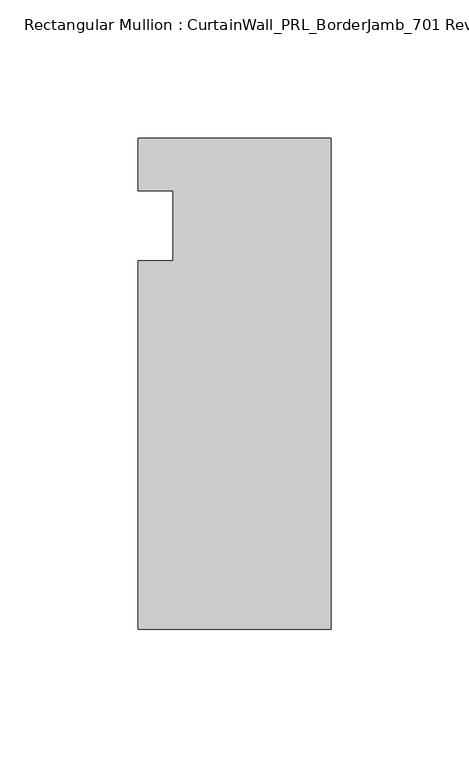
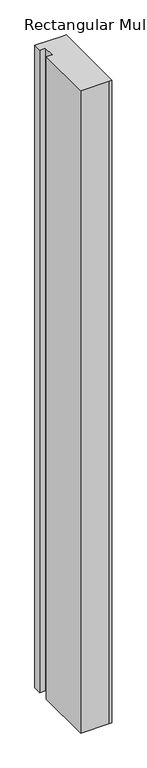
"""IFC4 building model written with IfcOpenShell, lengths in millimetres: member geometry, Rectangular Mullion : CurtainWall_PRL_BorderJamb_701 Reverse."""

from ifc_helpers import new_model, si_unit, frame, origin, place, context, project, spatial, polyline, outline, extrude, source, transform, mapped, element, save


def rectangular_mullion_curtainwall_prl_borderjamb_701_reverse_d0bf21f7(model_context):
    return source(origin(), model_context, "Body", "SweptSolid", [
        extrude(outline(polyline([(-57.15, -12.7), (-57.15, 12.7), (-69.85, 12.7), (-69.85, 31.75), (-7.3958824, 31.75), (0.0, 31.75), (0.0, -146.05), (-6.35, -146.05), (-69.85, -146.05), (-69.85, -12.7), (-57.15, -12.7)])), frame((0.0, 0.0, -1524.0), z_axis=(0.0, 0.0, 1.0), x_axis=(1.0, 0.0, 0.0)), (0.0, 0.0, 1.0), 1524.0),
    ])


if __name__ == "__main__":
    model = new_model("IFC4")
    model_context = context("Model", 3, world=origin())
    ifc_project = project(units=[si_unit("LENGTHUNIT", "METRE", prefix="MILLI")], contexts=[model_context])
    site = spatial("IfcSite", under=ifc_project)
    building = spatial("IfcBuilding", under=site)
    placement = place(None, origin())
    rectangular_mullion_curtainwall_prl_borderjamb_701_reverse_shape = rectangular_mullion_curtainwall_prl_borderjamb_701_reverse_d0bf21f7(model_context)
    element("IfcMember", 1, ObjectType="Rectangular Mullion : CurtainWall_PRL_BorderJamb_701 Reverse", at=placement, inside=building, context=model_context, shape_type="MappedRepresentation", body=[
        mapped(rectangular_mullion_curtainwall_prl_borderjamb_701_reverse_shape, transform((0.0, 0.0, 0.0), x_axis=(1.0, 0.0, 0.0), y_axis=(0.0, 1.0, 0.0), z_axis=(0.0, 0.0, 1.0))),
    ])
    save(model, "model.ifc")
